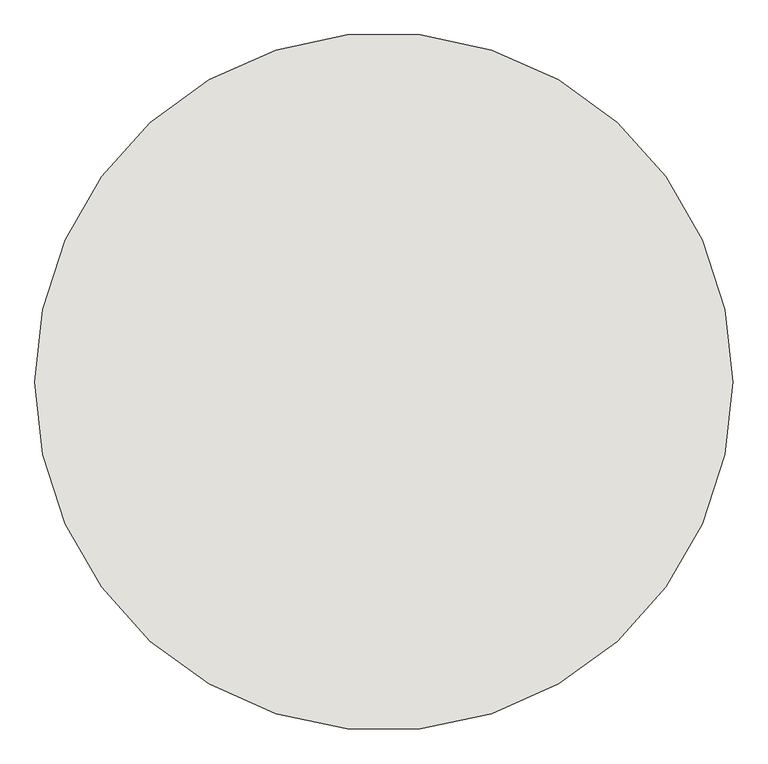
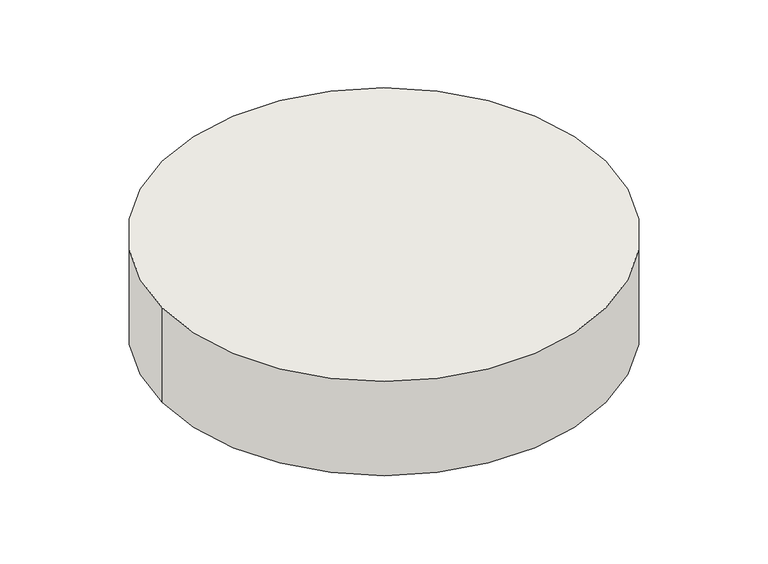
"""IFC4 building model written with IfcOpenShell, lengths in millimetres: wall geometry."""

from ifc_helpers import new_model, si_unit, point, frame, frame_2d, origin, place, context, project, spatial, circle_curve, trimmed, segment, composite_curve, outline, extrude, source, transform, mapped, element, save


def wall_43093095(model_context):
    return source(origin(), model_context, "Body", "SweptSolid", [
        extrude(outline(composite_curve([segment(trimmed(circle_curve(frame_2d((76390.3627829, 125718.9516004)), 1000.0), [point((75390.3627829, 125718.9516004))], [point((77390.3627829, 125718.9516004))], False, "CARTESIAN"), True, "CONTINUOUS"), segment(trimmed(circle_curve(frame_2d((76390.3627829, 125718.9516004)), 1000.0), [point((77390.3627829, 125718.9516004))], [point((75390.3627829, 125718.9516004))], False, "CARTESIAN"), True, "CONTINUOUS")], self_intersect=False)), frame((0.0, 0.0, -2104.0699153), z_axis=(0.0, 0.0, 1.0), x_axis=(1.0, 0.0, 0.0)), (0.0, 0.0, 1.0), 450.011785),
    ])


if __name__ == "__main__":
    model = new_model("IFC4")
    model_context = context("Model", 3, world=origin())
    ifc_project = project(units=[si_unit("LENGTHUNIT", "METRE", prefix="MILLI")], contexts=[model_context])
    site = spatial("IfcSite", under=ifc_project)
    building = spatial("IfcBuilding", under=site)
    placement = place(None, origin())
    wall_shape = wall_43093095(model_context)
    element("IfcWall", 1, at=placement, inside=building, context=model_context, shape_type="MappedRepresentation", body=[
        mapped(wall_shape, transform((0.0, 0.0, 0.0), x_axis=(1.0, 0.0, 0.0), y_axis=(0.0, 1.0, 0.0), z_axis=(0.0, 0.0, 1.0))),
    ])
    save(model, "model.ifc")
